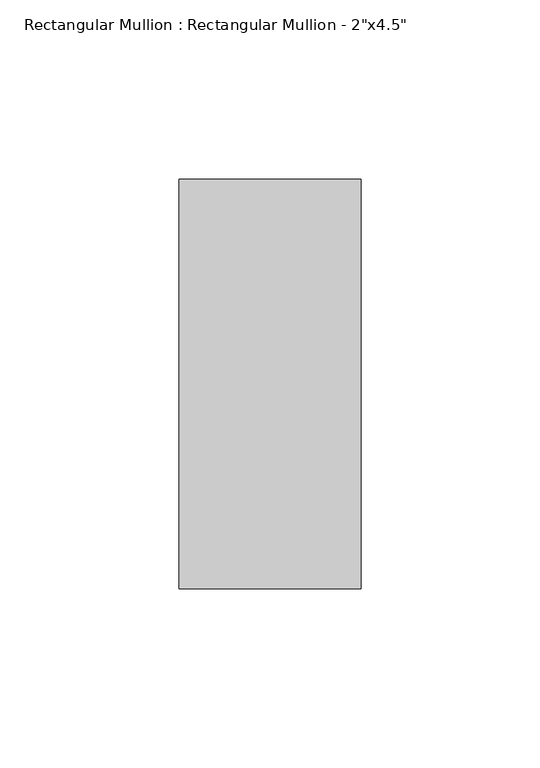
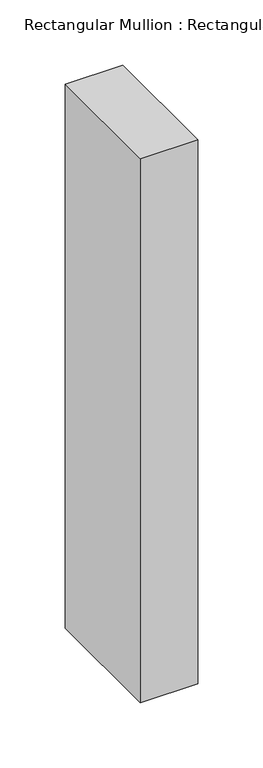
"""IFC4 building model written with IfcOpenShell, lengths in millimetres: member geometry."""

from ifc_helpers import new_model, si_unit, frame, origin, place, context, project, spatial, polyline, outline, extrude, source, transform, mapped, element, save


def member_a43d206f(model_context):
    return source(origin(), model_context, "Body", "SweptSolid", [
        extrude(outline(polyline([(0.0, 57.15), (0.0, -57.15), (-50.8, -57.15), (-50.8, 57.15), (0.0, 57.15)])), frame((0.0, 0.0, -508.0), z_axis=(0.0, 0.0, 1.0), x_axis=(1.0, 0.0, 0.0)), (0.0, 0.0, 1.0), 508.0),
    ])


if __name__ == "__main__":
    model = new_model("IFC4")
    model_context = context("Model", 3, world=origin())
    ifc_project = project(units=[si_unit("LENGTHUNIT", "METRE", prefix="MILLI")], contexts=[model_context])
    site = spatial("IfcSite", under=ifc_project)
    building = spatial("IfcBuilding", under=site)
    placement = place(None, origin())
    member_shape = member_a43d206f(model_context)
    element("IfcMember", 1, ObjectType="Rectangular Mullion : Rectangular Mullion - 2\"x4.5\"", at=placement, inside=building, context=model_context, shape_type="MappedRepresentation", body=[
        mapped(member_shape, transform((0.0, 0.0, 0.0), x_axis=(1.0, 0.0, 0.0), y_axis=(0.0, 1.0, 0.0), z_axis=(0.0, 0.0, 1.0))),
    ])
    save(model, "model.ifc")
